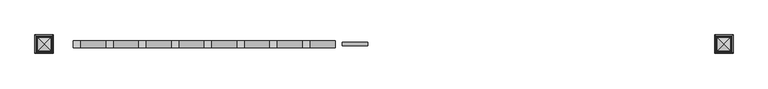
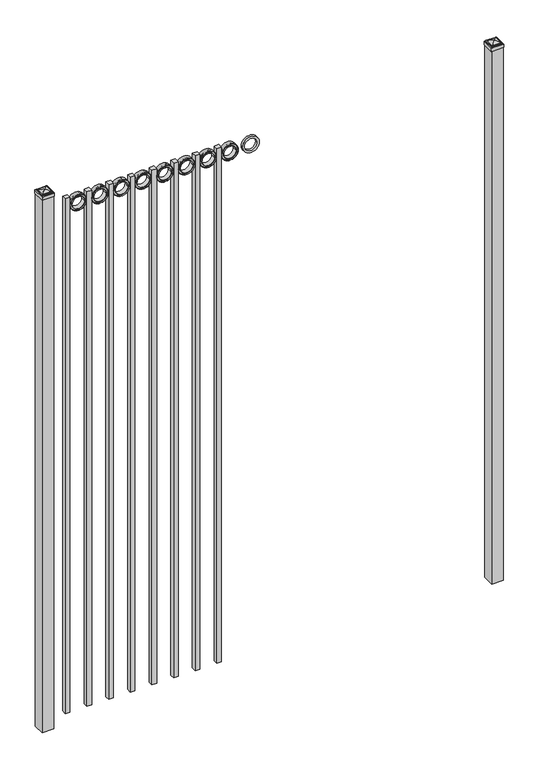
"""IFC4 building model written with IfcOpenShell, lengths in millimetres: railing geometry."""

from ifc_helpers import new_model, si_unit, point, frame, frame_2d, origin, origin_with_axes, place, context, project, spatial, polyline, circle_curve, ellipse_curve, trimmed, segment, composite_curve, outline, extrude, source, transform, mapped, element, save
from ifc_brep_helpers import plane_surface, cylinder_surface, advanced_brep


def railing_900c3616(model_context):
    return source(origin(), model_context, "Body", "SolidModel", [
        extrude(outline(composite_curve([segment(trimmed(circle_curve(frame_2d((2957.8511409, -5077.3911274)), 45.6988591), [point((2957.8511409, -5031.6922684))], [point((2957.8511409, -5123.0899865))], False, "CARTESIAN"), True, "CONTINUOUS"), segment(trimmed(circle_curve(frame_2d((2957.8511409, -5077.3911274)), 45.6988591), [point((2957.8511409, -5123.0899865))], [point((2957.8511409, -5031.6922684))], False, "CARTESIAN"), True, "CONTINUOUS")], self_intersect=False), holes=[composite_curve([segment(trimmed(circle_curve(frame_2d((2957.8511409, -5077.3911274)), 33.0443887), [point((2957.8511409, -5044.3467388))], [point((2957.8511409, -5110.4355161))], True, "CARTESIAN"), True, "CONTINUOUS"), segment(trimmed(circle_curve(frame_2d((2957.8511409, -5077.3911274)), 33.0443887), [point((2957.8511409, -5110.4355161))], [point((2957.8511409, -5044.3467388))], True, "CARTESIAN"), True, "CONTINUOUS")], self_intersect=False)]), frame((0.0, 4266.569541, 0.0), z_axis=(0.0, 1.0, 0.0), x_axis=(0.0, 0.0, 1.0)), (0.0, 0.0, 1.0), 12.7),
        extrude(outline(polyline([(0.0, -2952.75), (0.0, 0.0), (25.4, 0.0), (25.4, -2952.75), (0.0, -2952.75)])), frame((-5240.5649864, 4285.619541, 3003.55), z_axis=(-1.0, 0.0, 1.4053472285532807e-09), x_axis=(0.0, -1.0, 0.0)), (0.0, 0.0, 1.0), 25.4),
        extrude(outline(composite_curve([segment(trimmed(circle_curve(frame_2d((2957.8511409, -5194.8661274)), 45.6988591), [point((2957.8511409, -5149.1672684))], [point((2957.8511409, -5240.5649865))], False, "CARTESIAN"), True, "CONTINUOUS"), segment(trimmed(circle_curve(frame_2d((2957.8511409, -5194.8661274)), 45.6988591), [point((2957.8511409, -5240.5649865))], [point((2957.8511409, -5149.1672684))], False, "CARTESIAN"), True, "CONTINUOUS")], self_intersect=False), holes=[composite_curve([segment(trimmed(circle_curve(frame_2d((2957.8511409, -5194.8661274)), 44.101539), [point((2957.8511409, -5150.7645884))], [point((2957.8511409, -5238.9676665))], True, "CARTESIAN"), True, "CONTINUOUS"), segment(trimmed(circle_curve(frame_2d((2957.8511409, -5194.8661274)), 44.101539), [point((2957.8511409, -5238.9676665))], [point((2957.8511409, -5150.7645884))], True, "CARTESIAN"), True, "CONTINUOUS")], self_intersect=False)]), frame((0.0, 4260.219541, 0.0), z_axis=(0.0, 1.0, 0.0), x_axis=(0.0, 0.0, 1.0)), (0.0, 0.0, 1.0), 25.4),
        extrude(outline(composite_curve([segment(trimmed(circle_curve(frame_2d((2957.8511409, -5194.8661274)), 34.6370762), [point((2957.8511409, -5160.2290512))], [point((2957.8511409, -5229.5032037))], False, "CARTESIAN"), True, "CONTINUOUS"), segment(trimmed(circle_curve(frame_2d((2957.8511409, -5194.8661274)), 34.6370762), [point((2957.8511409, -5229.5032037))], [point((2957.8511409, -5160.2290512))], False, "CARTESIAN"), True, "CONTINUOUS")], self_intersect=False), holes=[composite_curve([segment(trimmed(circle_curve(frame_2d((2957.8511409, -5194.8661274)), 33.0443887), [point((2957.8511409, -5161.8217388))], [point((2957.8511409, -5227.9105161))], True, "CARTESIAN"), True, "CONTINUOUS"), segment(trimmed(circle_curve(frame_2d((2957.8511409, -5194.8661274)), 33.0443887), [point((2957.8511409, -5227.9105161))], [point((2957.8511409, -5161.8217388))], True, "CARTESIAN"), True, "CONTINUOUS")], self_intersect=False)]), frame((0.0, 4260.219541, 0.0), z_axis=(0.0, 1.0, 0.0), x_axis=(0.0, 0.0, 1.0)), (0.0, 0.0, 1.0), 25.4),
        extrude(outline(composite_curve([segment(trimmed(circle_curve(frame_2d((2957.8511409, -5194.8661274)), 45.6988591), [point((2957.8511409, -5149.1672684))], [point((2957.8511409, -5240.5649865))], False, "CARTESIAN"), True, "CONTINUOUS"), segment(trimmed(circle_curve(frame_2d((2957.8511409, -5194.8661274)), 45.6988591), [point((2957.8511409, -5240.5649865))], [point((2957.8511409, -5149.1672684))], False, "CARTESIAN"), True, "CONTINUOUS")], self_intersect=False), holes=[composite_curve([segment(trimmed(circle_curve(frame_2d((2957.8511409, -5194.8661274)), 33.0443887), [point((2957.8511409, -5161.8217388))], [point((2957.8511409, -5227.9105161))], True, "CARTESIAN"), True, "CONTINUOUS"), segment(trimmed(circle_curve(frame_2d((2957.8511409, -5194.8661274)), 33.0443887), [point((2957.8511409, -5227.9105161))], [point((2957.8511409, -5161.8217388))], True, "CARTESIAN"), True, "CONTINUOUS")], self_intersect=False)]), frame((0.0, 4266.569541, 0.0), z_axis=(0.0, 1.0, 0.0), x_axis=(0.0, 0.0, 1.0)), (0.0, 0.0, 1.0), 12.7),
        extrude(outline(polyline([(0.0, -2952.75), (0.0, 0.0), (25.4, 0.0), (25.4, -2952.75), (0.0, -2952.75)])), frame((-5358.0399864, 4285.619541, 3003.55), z_axis=(-1.0, 0.0, 1.4053472285532807e-09), x_axis=(0.0, -1.0, 0.0)), (0.0, 0.0, 1.0), 25.4),
        extrude(outline(composite_curve([segment(trimmed(circle_curve(frame_2d((2957.8511409, -5312.3411274)), 45.6988591), [point((2957.8511409, -5266.6422684))], [point((2957.8511409, -5358.0399865))], False, "CARTESIAN"), True, "CONTINUOUS"), segment(trimmed(circle_curve(frame_2d((2957.8511409, -5312.3411274)), 45.6988591), [point((2957.8511409, -5358.0399865))], [point((2957.8511409, -5266.6422684))], False, "CARTESIAN"), True, "CONTINUOUS")], self_intersect=False), holes=[composite_curve([segment(trimmed(circle_curve(frame_2d((2957.8511409, -5312.3411274)), 44.101539), [point((2957.8511409, -5268.2395884))], [point((2957.8511409, -5356.4426665))], True, "CARTESIAN"), True, "CONTINUOUS"), segment(trimmed(circle_curve(frame_2d((2957.8511409, -5312.3411274)), 44.101539), [point((2957.8511409, -5356.4426665))], [point((2957.8511409, -5268.2395884))], True, "CARTESIAN"), True, "CONTINUOUS")], self_intersect=False)]), frame((0.0, 4260.219541, 0.0), z_axis=(0.0, 1.0, 0.0), x_axis=(0.0, 0.0, 1.0)), (0.0, 0.0, 1.0), 25.4),
        extrude(outline(composite_curve([segment(trimmed(circle_curve(frame_2d((2957.8511409, -5312.3411274)), 34.6370762), [point((2957.8511409, -5277.7040512))], [point((2957.8511409, -5346.9782037))], False, "CARTESIAN"), True, "CONTINUOUS"), segment(trimmed(circle_curve(frame_2d((2957.8511409, -5312.3411274)), 34.6370762), [point((2957.8511409, -5346.9782037))], [point((2957.8511409, -5277.7040512))], False, "CARTESIAN"), True, "CONTINUOUS")], self_intersect=False), holes=[composite_curve([segment(trimmed(circle_curve(frame_2d((2957.8511409, -5312.3411274)), 33.0443887), [point((2957.8511409, -5279.2967388))], [point((2957.8511409, -5345.3855161))], True, "CARTESIAN"), True, "CONTINUOUS"), segment(trimmed(circle_curve(frame_2d((2957.8511409, -5312.3411274)), 33.0443887), [point((2957.8511409, -5345.3855161))], [point((2957.8511409, -5279.2967388))], True, "CARTESIAN"), True, "CONTINUOUS")], self_intersect=False)]), frame((0.0, 4260.219541, 0.0), z_axis=(0.0, 1.0, 0.0), x_axis=(0.0, 0.0, 1.0)), (0.0, 0.0, 1.0), 25.4),
        extrude(outline(composite_curve([segment(trimmed(circle_curve(frame_2d((2957.8511409, -5312.3411274)), 45.6988591), [point((2957.8511409, -5266.6422684))], [point((2957.8511409, -5358.0399865))], False, "CARTESIAN"), True, "CONTINUOUS"), segment(trimmed(circle_curve(frame_2d((2957.8511409, -5312.3411274)), 45.6988591), [point((2957.8511409, -5358.0399865))], [point((2957.8511409, -5266.6422684))], False, "CARTESIAN"), True, "CONTINUOUS")], self_intersect=False), holes=[composite_curve([segment(trimmed(circle_curve(frame_2d((2957.8511409, -5312.3411274)), 33.0443887), [point((2957.8511409, -5279.2967388))], [point((2957.8511409, -5345.3855161))], True, "CARTESIAN"), True, "CONTINUOUS"), segment(trimmed(circle_curve(frame_2d((2957.8511409, -5312.3411274)), 33.0443887), [point((2957.8511409, -5345.3855161))], [point((2957.8511409, -5279.2967388))], True, "CARTESIAN"), True, "CONTINUOUS")], self_intersect=False)]), frame((0.0, 4266.569541, 0.0), z_axis=(0.0, 1.0, 0.0), x_axis=(0.0, 0.0, 1.0)), (0.0, 0.0, 1.0), 12.7),
        extrude(outline(polyline([(0.0, -2952.75), (0.0, 0.0), (25.4, 0.0), (25.4, -2952.75), (0.0, -2952.75)])), frame((-5475.5149864, 4285.619541, 3003.55), z_axis=(-1.0, 0.0, 1.4053472285532807e-09), x_axis=(0.0, -1.0, 0.0)), (0.0, 0.0, 1.0), 25.4),
        extrude(outline(composite_curve([segment(trimmed(circle_curve(frame_2d((2957.8511409, -5429.8161274)), 45.6988591), [point((2957.8511409, -5384.1172684))], [point((2957.8511409, -5475.5149865))], False, "CARTESIAN"), True, "CONTINUOUS"), segment(trimmed(circle_curve(frame_2d((2957.8511409, -5429.8161274)), 45.6988591), [point((2957.8511409, -5475.5149865))], [point((2957.8511409, -5384.1172684))], False, "CARTESIAN"), True, "CONTINUOUS")], self_intersect=False), holes=[composite_curve([segment(trimmed(circle_curve(frame_2d((2957.8511409, -5429.8161274)), 44.101539), [point((2957.8511409, -5385.7145884))], [point((2957.8511409, -5473.9176665))], True, "CARTESIAN"), True, "CONTINUOUS"), segment(trimmed(circle_curve(frame_2d((2957.8511409, -5429.8161274)), 44.101539), [point((2957.8511409, -5473.9176665))], [point((2957.8511409, -5385.7145884))], True, "CARTESIAN"), True, "CONTINUOUS")], self_intersect=False)]), frame((0.0, 4260.219541, 0.0), z_axis=(0.0, 1.0, 0.0), x_axis=(0.0, 0.0, 1.0)), (0.0, 0.0, 1.0), 25.4),
        extrude(outline(composite_curve([segment(trimmed(circle_curve(frame_2d((2957.8511409, -5429.8161274)), 34.6370762), [point((2957.8511409, -5395.1790512))], [point((2957.8511409, -5464.4532037))], False, "CARTESIAN"), True, "CONTINUOUS"), segment(trimmed(circle_curve(frame_2d((2957.8511409, -5429.8161274)), 34.6370762), [point((2957.8511409, -5464.4532037))], [point((2957.8511409, -5395.1790512))], False, "CARTESIAN"), True, "CONTINUOUS")], self_intersect=False), holes=[composite_curve([segment(trimmed(circle_curve(frame_2d((2957.8511409, -5429.8161274)), 33.0443887), [point((2957.8511409, -5396.7717388))], [point((2957.8511409, -5462.8605161))], True, "CARTESIAN"), True, "CONTINUOUS"), segment(trimmed(circle_curve(frame_2d((2957.8511409, -5429.8161274)), 33.0443887), [point((2957.8511409, -5462.8605161))], [point((2957.8511409, -5396.7717388))], True, "CARTESIAN"), True, "CONTINUOUS")], self_intersect=False)]), frame((0.0, 4260.219541, 0.0), z_axis=(0.0, 1.0, 0.0), x_axis=(0.0, 0.0, 1.0)), (0.0, 0.0, 1.0), 25.4),
        extrude(outline(composite_curve([segment(trimmed(circle_curve(frame_2d((2957.8511409, -5429.8161274)), 45.6988591), [point((2957.8511409, -5384.1172684))], [point((2957.8511409, -5475.5149865))], False, "CARTESIAN"), True, "CONTINUOUS"), segment(trimmed(circle_curve(frame_2d((2957.8511409, -5429.8161274)), 45.6988591), [point((2957.8511409, -5475.5149865))], [point((2957.8511409, -5384.1172684))], False, "CARTESIAN"), True, "CONTINUOUS")], self_intersect=False), holes=[composite_curve([segment(trimmed(circle_curve(frame_2d((2957.8511409, -5429.8161274)), 33.0443887), [point((2957.8511409, -5396.7717388))], [point((2957.8511409, -5462.8605161))], True, "CARTESIAN"), True, "CONTINUOUS"), segment(trimmed(circle_curve(frame_2d((2957.8511409, -5429.8161274)), 33.0443887), [point((2957.8511409, -5462.8605161))], [point((2957.8511409, -5396.7717388))], True, "CARTESIAN"), True, "CONTINUOUS")], self_intersect=False)]), frame((0.0, 4266.569541, 0.0), z_axis=(0.0, 1.0, 0.0), x_axis=(0.0, 0.0, 1.0)), (0.0, 0.0, 1.0), 12.7),
        extrude(outline(polyline([(0.0, -2952.75), (0.0, 0.0), (25.4, 0.0), (25.4, -2952.75), (0.0, -2952.75)])), frame((-5592.9899864, 4285.619541, 3003.55), z_axis=(-1.0, 0.0, 1.4053472285532807e-09), x_axis=(0.0, -1.0, 0.0)), (0.0, 0.0, 1.0), 25.4),
        extrude(outline(composite_curve([segment(trimmed(circle_curve(frame_2d((2957.8511409, -5547.2911274)), 45.6988591), [point((2957.8511409, -5501.5922684))], [point((2957.8511409, -5592.9899865))], False, "CARTESIAN"), True, "CONTINUOUS"), segment(trimmed(circle_curve(frame_2d((2957.8511409, -5547.2911274)), 45.6988591), [point((2957.8511409, -5592.9899865))], [point((2957.8511409, -5501.5922684))], False, "CARTESIAN"), True, "CONTINUOUS")], self_intersect=False), holes=[composite_curve([segment(trimmed(circle_curve(frame_2d((2957.8511409, -5547.2911274)), 44.101539), [point((2957.8511409, -5503.1895884))], [point((2957.8511409, -5591.3926665))], True, "CARTESIAN"), True, "CONTINUOUS"), segment(trimmed(circle_curve(frame_2d((2957.8511409, -5547.2911274)), 44.101539), [point((2957.8511409, -5591.3926665))], [point((2957.8511409, -5503.1895884))], True, "CARTESIAN"), True, "CONTINUOUS")], self_intersect=False)]), frame((0.0, 4260.219541, 0.0), z_axis=(0.0, 1.0, 0.0), x_axis=(0.0, 0.0, 1.0)), (0.0, 0.0, 1.0), 25.4),
        extrude(outline(composite_curve([segment(trimmed(circle_curve(frame_2d((2957.8511409, -5547.2911274)), 34.6370762), [point((2957.8511409, -5512.6540512))], [point((2957.8511409, -5581.9282037))], False, "CARTESIAN"), True, "CONTINUOUS"), segment(trimmed(circle_curve(frame_2d((2957.8511409, -5547.2911274)), 34.6370762), [point((2957.8511409, -5581.9282037))], [point((2957.8511409, -5512.6540512))], False, "CARTESIAN"), True, "CONTINUOUS")], self_intersect=False), holes=[composite_curve([segment(trimmed(circle_curve(frame_2d((2957.8511409, -5547.2911274)), 33.0443887), [point((2957.8511409, -5514.2467388))], [point((2957.8511409, -5580.3355161))], True, "CARTESIAN"), True, "CONTINUOUS"), segment(trimmed(circle_curve(frame_2d((2957.8511409, -5547.2911274)), 33.0443887), [point((2957.8511409, -5580.3355161))], [point((2957.8511409, -5514.2467388))], True, "CARTESIAN"), True, "CONTINUOUS")], self_intersect=False)]), frame((0.0, 4260.219541, 0.0), z_axis=(0.0, 1.0, 0.0), x_axis=(0.0, 0.0, 1.0)), (0.0, 0.0, 1.0), 25.4),
        extrude(outline(composite_curve([segment(trimmed(circle_curve(frame_2d((2957.8511409, -5547.2911274)), 45.6988591), [point((2957.8511409, -5501.5922684))], [point((2957.8511409, -5592.9899865))], False, "CARTESIAN"), True, "CONTINUOUS"), segment(trimmed(circle_curve(frame_2d((2957.8511409, -5547.2911274)), 45.6988591), [point((2957.8511409, -5592.9899865))], [point((2957.8511409, -5501.5922684))], False, "CARTESIAN"), True, "CONTINUOUS")], self_intersect=False), holes=[composite_curve([segment(trimmed(circle_curve(frame_2d((2957.8511409, -5547.2911274)), 33.0443887), [point((2957.8511409, -5514.2467388))], [point((2957.8511409, -5580.3355161))], True, "CARTESIAN"), True, "CONTINUOUS"), segment(trimmed(circle_curve(frame_2d((2957.8511409, -5547.2911274)), 33.0443887), [point((2957.8511409, -5580.3355161))], [point((2957.8511409, -5514.2467388))], True, "CARTESIAN"), True, "CONTINUOUS")], self_intersect=False)]), frame((0.0, 4266.569541, 0.0), z_axis=(0.0, 1.0, 0.0), x_axis=(0.0, 0.0, 1.0)), (0.0, 0.0, 1.0), 12.7),
        extrude(outline(polyline([(0.0, -2952.75), (0.0, 0.0), (25.4, 0.0), (25.4, -2952.75), (0.0, -2952.75)])), frame((-5710.4649864, 4285.619541, 3003.55), z_axis=(-1.0, 0.0, 1.4053472285532807e-09), x_axis=(0.0, -1.0, 0.0)), (0.0, 0.0, 1.0), 25.4),
        extrude(outline(composite_curve([segment(trimmed(circle_curve(frame_2d((2957.8511409, -5664.7661274)), 45.6988591), [point((2957.8511409, -5619.0672684))], [point((2957.8511409, -5710.4649865))], False, "CARTESIAN"), True, "CONTINUOUS"), segment(trimmed(circle_curve(frame_2d((2957.8511409, -5664.7661274)), 45.6988591), [point((2957.8511409, -5710.4649865))], [point((2957.8511409, -5619.0672684))], False, "CARTESIAN"), True, "CONTINUOUS")], self_intersect=False), holes=[composite_curve([segment(trimmed(circle_curve(frame_2d((2957.8511409, -5664.7661274)), 44.101539), [point((2957.8511409, -5620.6645884))], [point((2957.8511409, -5708.8676665))], True, "CARTESIAN"), True, "CONTINUOUS"), segment(trimmed(circle_curve(frame_2d((2957.8511409, -5664.7661274)), 44.101539), [point((2957.8511409, -5708.8676665))], [point((2957.8511409, -5620.6645884))], True, "CARTESIAN"), True, "CONTINUOUS")], self_intersect=False)]), frame((0.0, 4260.219541, 0.0), z_axis=(0.0, 1.0, 0.0), x_axis=(0.0, 0.0, 1.0)), (0.0, 0.0, 1.0), 25.4),
        extrude(outline(composite_curve([segment(trimmed(circle_curve(frame_2d((2957.8511409, -5664.7661274)), 34.6370762), [point((2957.8511409, -5630.1290512))], [point((2957.8511409, -5699.4032037))], False, "CARTESIAN"), True, "CONTINUOUS"), segment(trimmed(circle_curve(frame_2d((2957.8511409, -5664.7661274)), 34.6370762), [point((2957.8511409, -5699.4032037))], [point((2957.8511409, -5630.1290512))], False, "CARTESIAN"), True, "CONTINUOUS")], self_intersect=False), holes=[composite_curve([segment(trimmed(circle_curve(frame_2d((2957.8511409, -5664.7661274)), 33.0443887), [point((2957.8511409, -5631.7217388))], [point((2957.8511409, -5697.8105161))], True, "CARTESIAN"), True, "CONTINUOUS"), segment(trimmed(circle_curve(frame_2d((2957.8511409, -5664.7661274)), 33.0443887), [point((2957.8511409, -5697.8105161))], [point((2957.8511409, -5631.7217388))], True, "CARTESIAN"), True, "CONTINUOUS")], self_intersect=False)]), frame((0.0, 4260.219541, 0.0), z_axis=(0.0, 1.0, 0.0), x_axis=(0.0, 0.0, 1.0)), (0.0, 0.0, 1.0), 25.4),
        extrude(outline(composite_curve([segment(trimmed(circle_curve(frame_2d((2957.8511409, -5664.7661274)), 45.6988591), [point((2957.8511409, -5619.0672684))], [point((2957.8511409, -5710.4649865))], False, "CARTESIAN"), True, "CONTINUOUS"), segment(trimmed(circle_curve(frame_2d((2957.8511409, -5664.7661274)), 45.6988591), [point((2957.8511409, -5710.4649865))], [point((2957.8511409, -5619.0672684))], False, "CARTESIAN"), True, "CONTINUOUS")], self_intersect=False), holes=[composite_curve([segment(trimmed(circle_curve(frame_2d((2957.8511409, -5664.7661274)), 33.0443887), [point((2957.8511409, -5631.7217388))], [point((2957.8511409, -5697.8105161))], True, "CARTESIAN"), True, "CONTINUOUS"), segment(trimmed(circle_curve(frame_2d((2957.8511409, -5664.7661274)), 33.0443887), [point((2957.8511409, -5697.8105161))], [point((2957.8511409, -5631.7217388))], True, "CARTESIAN"), True, "CONTINUOUS")], self_intersect=False)]), frame((0.0, 4266.569541, 0.0), z_axis=(0.0, 1.0, 0.0), x_axis=(0.0, 0.0, 1.0)), (0.0, 0.0, 1.0), 12.7),
        extrude(outline(polyline([(0.0, -2952.75), (0.0, 0.0), (25.4, 0.0), (25.4, -2952.75), (0.0, -2952.75)])), frame((-5827.9399864, 4285.619541, 3003.55), z_axis=(-1.0, 0.0, 1.4053472285532807e-09), x_axis=(0.0, -1.0, 0.0)), (0.0, 0.0, 1.0), 25.4),
        extrude(outline(composite_curve([segment(trimmed(circle_curve(frame_2d((2957.8511409, -5782.2411274)), 45.6988591), [point((2957.8511409, -5736.5422684))], [point((2957.8511409, -5827.9399865))], False, "CARTESIAN"), True, "CONTINUOUS"), segment(trimmed(circle_curve(frame_2d((2957.8511409, -5782.2411274)), 45.6988591), [point((2957.8511409, -5827.9399865))], [point((2957.8511409, -5736.5422684))], False, "CARTESIAN"), True, "CONTINUOUS")], self_intersect=False), holes=[composite_curve([segment(trimmed(circle_curve(frame_2d((2957.8511409, -5782.2411274)), 44.101539), [point((2957.8511409, -5738.1395884))], [point((2957.8511409, -5826.3426665))], True, "CARTESIAN"), True, "CONTINUOUS"), segment(trimmed(circle_curve(frame_2d((2957.8511409, -5782.2411274)), 44.101539), [point((2957.8511409, -5826.3426665))], [point((2957.8511409, -5738.1395884))], True, "CARTESIAN"), True, "CONTINUOUS")], self_intersect=False)]), frame((0.0, 4260.219541, 0.0), z_axis=(0.0, 1.0, 0.0), x_axis=(0.0, 0.0, 1.0)), (0.0, 0.0, 1.0), 25.4),
        extrude(outline(composite_curve([segment(trimmed(circle_curve(frame_2d((2957.8511409, -5782.2411274)), 34.6370762), [point((2957.8511409, -5747.6040512))], [point((2957.8511409, -5816.8782037))], False, "CARTESIAN"), True, "CONTINUOUS"), segment(trimmed(circle_curve(frame_2d((2957.8511409, -5782.2411274)), 34.6370762), [point((2957.8511409, -5816.8782037))], [point((2957.8511409, -5747.6040512))], False, "CARTESIAN"), True, "CONTINUOUS")], self_intersect=False), holes=[composite_curve([segment(trimmed(circle_curve(frame_2d((2957.8511409, -5782.2411274)), 33.0443887), [point((2957.8511409, -5749.1967388))], [point((2957.8511409, -5815.2855161))], True, "CARTESIAN"), True, "CONTINUOUS"), segment(trimmed(circle_curve(frame_2d((2957.8511409, -5782.2411274)), 33.0443887), [point((2957.8511409, -5815.2855161))], [point((2957.8511409, -5749.1967388))], True, "CARTESIAN"), True, "CONTINUOUS")], self_intersect=False)]), frame((0.0, 4260.219541, 0.0), z_axis=(0.0, 1.0, 0.0), x_axis=(0.0, 0.0, 1.0)), (0.0, 0.0, 1.0), 25.4),
        extrude(outline(composite_curve([segment(trimmed(circle_curve(frame_2d((2957.8511409, -5782.2411274)), 45.6988591), [point((2957.8511409, -5736.5422684))], [point((2957.8511409, -5827.9399865))], False, "CARTESIAN"), True, "CONTINUOUS"), segment(trimmed(circle_curve(frame_2d((2957.8511409, -5782.2411274)), 45.6988591), [point((2957.8511409, -5827.9399865))], [point((2957.8511409, -5736.5422684))], False, "CARTESIAN"), True, "CONTINUOUS")], self_intersect=False), holes=[composite_curve([segment(trimmed(circle_curve(frame_2d((2957.8511409, -5782.2411274)), 33.0443887), [point((2957.8511409, -5749.1967388))], [point((2957.8511409, -5815.2855161))], True, "CARTESIAN"), True, "CONTINUOUS"), segment(trimmed(circle_curve(frame_2d((2957.8511409, -5782.2411274)), 33.0443887), [point((2957.8511409, -5815.2855161))], [point((2957.8511409, -5749.1967388))], True, "CARTESIAN"), True, "CONTINUOUS")], self_intersect=False)]), frame((0.0, 4266.569541, 0.0), z_axis=(0.0, 1.0, 0.0), x_axis=(0.0, 0.0, 1.0)), (0.0, 0.0, 1.0), 12.7),
        extrude(outline(polyline([(0.0, -2952.75), (0.0, 0.0), (25.4, 0.0), (25.4, -2952.75), (0.0, -2952.75)])), frame((-5945.4149864, 4285.619541, 3003.55), z_axis=(-1.0, 0.0, 1.4053472285532807e-09), x_axis=(0.0, -1.0, 0.0)), (0.0, 0.0, 1.0), 25.4),
        extrude(outline(composite_curve([segment(trimmed(circle_curve(frame_2d((2957.8511409, -5899.7161274)), 45.6988591), [point((2957.8511409, -5854.0172684))], [point((2957.8511409, -5945.4149865))], False, "CARTESIAN"), True, "CONTINUOUS"), segment(trimmed(circle_curve(frame_2d((2957.8511409, -5899.7161274)), 45.6988591), [point((2957.8511409, -5945.4149865))], [point((2957.8511409, -5854.0172684))], False, "CARTESIAN"), True, "CONTINUOUS")], self_intersect=False), holes=[composite_curve([segment(trimmed(circle_curve(frame_2d((2957.8511409, -5899.7161274)), 44.101539), [point((2957.8511409, -5855.6145884))], [point((2957.8511409, -5943.8176665))], True, "CARTESIAN"), True, "CONTINUOUS"), segment(trimmed(circle_curve(frame_2d((2957.8511409, -5899.7161274)), 44.101539), [point((2957.8511409, -5943.8176665))], [point((2957.8511409, -5855.6145884))], True, "CARTESIAN"), True, "CONTINUOUS")], self_intersect=False)]), frame((0.0, 4260.219541, 0.0), z_axis=(0.0, 1.0, 0.0), x_axis=(0.0, 0.0, 1.0)), (0.0, 0.0, 1.0), 25.4),
        extrude(outline(composite_curve([segment(trimmed(circle_curve(frame_2d((2957.8511409, -5899.7161274)), 34.6370762), [point((2957.8511409, -5865.0790512))], [point((2957.8511409, -5934.3532037))], False, "CARTESIAN"), True, "CONTINUOUS"), segment(trimmed(circle_curve(frame_2d((2957.8511409, -5899.7161274)), 34.6370762), [point((2957.8511409, -5934.3532037))], [point((2957.8511409, -5865.0790512))], False, "CARTESIAN"), True, "CONTINUOUS")], self_intersect=False), holes=[composite_curve([segment(trimmed(circle_curve(frame_2d((2957.8511409, -5899.7161274)), 33.0443887), [point((2957.8511409, -5866.6717388))], [point((2957.8511409, -5932.7605161))], True, "CARTESIAN"), True, "CONTINUOUS"), segment(trimmed(circle_curve(frame_2d((2957.8511409, -5899.7161274)), 33.0443887), [point((2957.8511409, -5932.7605161))], [point((2957.8511409, -5866.6717388))], True, "CARTESIAN"), True, "CONTINUOUS")], self_intersect=False)]), frame((0.0, 4260.219541, 0.0), z_axis=(0.0, 1.0, 0.0), x_axis=(0.0, 0.0, 1.0)), (0.0, 0.0, 1.0), 25.4),
        extrude(outline(composite_curve([segment(trimmed(circle_curve(frame_2d((2957.8511409, -5899.7161274)), 45.6988591), [point((2957.8511409, -5854.0172684))], [point((2957.8511409, -5945.4149865))], False, "CARTESIAN"), True, "CONTINUOUS"), segment(trimmed(circle_curve(frame_2d((2957.8511409, -5899.7161274)), 45.6988591), [point((2957.8511409, -5945.4149865))], [point((2957.8511409, -5854.0172684))], False, "CARTESIAN"), True, "CONTINUOUS")], self_intersect=False), holes=[composite_curve([segment(trimmed(circle_curve(frame_2d((2957.8511409, -5899.7161274)), 33.0443887), [point((2957.8511409, -5866.6717388))], [point((2957.8511409, -5932.7605161))], True, "CARTESIAN"), True, "CONTINUOUS"), segment(trimmed(circle_curve(frame_2d((2957.8511409, -5899.7161274)), 33.0443887), [point((2957.8511409, -5932.7605161))], [point((2957.8511409, -5866.6717388))], True, "CARTESIAN"), True, "CONTINUOUS")], self_intersect=False)]), frame((0.0, 4266.569541, 0.0), z_axis=(0.0, 1.0, 0.0), x_axis=(0.0, 0.0, 1.0)), (0.0, 0.0, 1.0), 12.7),
        extrude(outline(polyline([(0.0, -2952.75), (0.0, 0.0), (25.4, 0.0), (25.4, -2952.75), (0.0, -2952.75)])), frame((-6062.8899864, 4285.619541, 3003.55), z_axis=(-1.0, 0.0, 1.4053472285532807e-09), x_axis=(0.0, -1.0, 0.0)), (0.0, 0.0, 1.0), 25.4),
        extrude(outline(composite_curve([segment(trimmed(circle_curve(frame_2d((2957.8511409, -6017.1911274)), 45.6988591), [point((2957.8511409, -5971.4922684))], [point((2957.8511409, -6062.8899865))], False, "CARTESIAN"), True, "CONTINUOUS"), segment(trimmed(circle_curve(frame_2d((2957.8511409, -6017.1911274)), 45.6988591), [point((2957.8511409, -6062.8899865))], [point((2957.8511409, -5971.4922684))], False, "CARTESIAN"), True, "CONTINUOUS")], self_intersect=False), holes=[composite_curve([segment(trimmed(circle_curve(frame_2d((2957.8511409, -6017.1911274)), 44.101539), [point((2957.8511409, -5973.0895884))], [point((2957.8511409, -6061.2926665))], True, "CARTESIAN"), True, "CONTINUOUS"), segment(trimmed(circle_curve(frame_2d((2957.8511409, -6017.1911274)), 44.101539), [point((2957.8511409, -6061.2926665))], [point((2957.8511409, -5973.0895884))], True, "CARTESIAN"), True, "CONTINUOUS")], self_intersect=False)]), frame((0.0, 4260.219541, 0.0), z_axis=(0.0, 1.0, 0.0), x_axis=(0.0, 0.0, 1.0)), (0.0, 0.0, 1.0), 25.4),
        extrude(outline(composite_curve([segment(trimmed(circle_curve(frame_2d((2957.8511409, -6017.1911274)), 34.6370762), [point((2957.8511409, -5982.5540512))], [point((2957.8511409, -6051.8282037))], False, "CARTESIAN"), True, "CONTINUOUS"), segment(trimmed(circle_curve(frame_2d((2957.8511409, -6017.1911274)), 34.6370762), [point((2957.8511409, -6051.8282037))], [point((2957.8511409, -5982.5540512))], False, "CARTESIAN"), True, "CONTINUOUS")], self_intersect=False), holes=[composite_curve([segment(trimmed(circle_curve(frame_2d((2957.8511409, -6017.1911274)), 33.0443887), [point((2957.8511409, -5984.1467388))], [point((2957.8511409, -6050.2355161))], True, "CARTESIAN"), True, "CONTINUOUS"), segment(trimmed(circle_curve(frame_2d((2957.8511409, -6017.1911274)), 33.0443887), [point((2957.8511409, -6050.2355161))], [point((2957.8511409, -5984.1467388))], True, "CARTESIAN"), True, "CONTINUOUS")], self_intersect=False)]), frame((0.0, 4260.219541, 0.0), z_axis=(0.0, 1.0, 0.0), x_axis=(0.0, 0.0, 1.0)), (0.0, 0.0, 1.0), 25.4),
        extrude(outline(composite_curve([segment(trimmed(circle_curve(frame_2d((2957.8511409, -6017.1911274)), 45.6988591), [point((2957.8511409, -5971.4922684))], [point((2957.8511409, -6062.8899865))], False, "CARTESIAN"), True, "CONTINUOUS"), segment(trimmed(circle_curve(frame_2d((2957.8511409, -6017.1911274)), 45.6988591), [point((2957.8511409, -6062.8899865))], [point((2957.8511409, -5971.4922684))], False, "CARTESIAN"), True, "CONTINUOUS")], self_intersect=False), holes=[composite_curve([segment(trimmed(circle_curve(frame_2d((2957.8511409, -6017.1911274)), 33.0443887), [point((2957.8511409, -5984.1467388))], [point((2957.8511409, -6050.2355161))], True, "CARTESIAN"), True, "CONTINUOUS"), segment(trimmed(circle_curve(frame_2d((2957.8511409, -6017.1911274)), 33.0443887), [point((2957.8511409, -6050.2355161))], [point((2957.8511409, -5984.1467388))], True, "CARTESIAN"), True, "CONTINUOUS")], self_intersect=False)]), frame((0.0, 4266.569541, 0.0), z_axis=(0.0, 1.0, 0.0), x_axis=(0.0, 0.0, 1.0)), (0.0, 0.0, 1.0), 12.7),
        extrude(outline(polyline([(-3722.9149936, 4304.669541), (-3722.9149936, 4241.169541), (-3786.4149936, 4241.169541), (-3786.4149936, 4304.669541), (-3722.9149936, 4304.669541)])), origin_with_axes(), (0.0, 0.0, 1.0), 3055.9375),
        advanced_brep(
        [(-3788.0024936, 4306.257041, 3074.19375), (-3788.0024936, 4306.257041, 3055.9375), (-3788.0024936, 4239.582041, 3055.9375), (-3788.0024936, 4239.582041, 3074.19375), (-3785.6212436, 4303.875791, 3076.575), (-3785.6212436, 4241.963291, 3076.575), (-3783.2399936, 4301.494541, 3078.95625), (-3783.2399936, 4301.494541, 3076.575), (-3783.2399936, 4244.344541, 3076.575), (-3783.2399936, 4244.344541, 3078.95625), (-3780.8587436, 4299.113291, 3081.3375), (-3780.8587436, 4246.725791, 3081.3375), (-3754.6649936, 4272.919541, 3087.6875), (-3778.4774936, 4296.732041, 3081.3375), (-3778.4774936, 4249.107041, 3081.3375), (-3721.3274936, 4239.582041, 3055.9375), (-3721.3274936, 4239.582041, 3074.19375), (-3723.7087436, 4241.963291, 3076.575), (-3726.0899936, 4244.344541, 3076.575), (-3726.0899936, 4244.344541, 3078.95625), (-3728.4712436, 4246.725791, 3081.3375), (-3730.8524936, 4249.107041, 3081.3375), (-3721.3274936, 4306.257041, 3055.9375), (-3721.3274936, 4306.257041, 3074.19375), (-3723.7087436, 4303.875791, 3076.575), (-3726.0899936, 4301.494541, 3076.575), (-3726.0899936, 4301.494541, 3078.95625), (-3728.4712436, 4299.113291, 3081.3375), (-3730.8524936, 4296.732041, 3081.3375)],
        [
            (0, 1),
            (1, 2),
            (2, 3),
            (3, 0),
            (4, 0, ellipse_curve(frame((-3785.6212436, 4303.875791, 3074.19375), z_axis=(-0.70710678118655, -0.7071067811865449, 0.0), x_axis=(-0.7071067811865448, 0.7071067811865501, 0.0)), 3.367596, 2.38125)),
            (3, 5, ellipse_curve(frame((-3785.6212436, 4241.963291, 3074.19375), z_axis=(-0.7071067811865449, 0.70710678118655, 0.0), x_axis=(0.7071067811865499, 0.707106781186545, 0.0)), 3.367596, 2.38125)),
            (5, 4),
            (6, 7),
            (7, 8),
            (8, 9),
            (9, 6),
            (10, 6, ellipse_curve(frame((-3780.8587436, 4299.113291, 3078.95625), z_axis=(-0.70710678118655, -0.7071067811865449, 0.0), x_axis=(-0.7071067811865448, 0.7071067811865501, 0.0)), 3.367596, 2.38125)),
            (9, 11, ellipse_curve(frame((-3780.8587436, 4246.725791, 3078.95625), z_axis=(-0.7071067811865449, 0.70710678118655, 0.0), x_axis=(0.7071067811865499, 0.707106781186545, 0.0)), 3.367596, 2.38125)),
            (11, 10),
            (12, 13, ellipse_curve(frame((-3754.6649936, 4272.919541, 3039.8640625), z_axis=(-0.70710678118655, -0.7071067811865449, 0.0), x_axis=(-0.7071067811865448, 0.7071067811865501, 0.0)), 67.6325539, 47.8234375)),
            (13, 14),
            (14, 12, ellipse_curve(frame((-3754.6649936, 4272.919541, 3039.8640625), z_axis=(-0.7071067811865449, 0.70710678118655, 0.0), x_axis=(0.7071067811865499, 0.707106781186545, 0.0)), 67.6325539, 47.8234375)),
            (2, 15),
            (15, 16),
            (16, 3),
            (16, 17, ellipse_curve(frame((-3723.7087436, 4241.963291, 3074.19375), z_axis=(-0.70710678118655, -0.707106781186545, 0.0), x_axis=(-0.707106781186545, 0.70710678118655, 0.0)), 3.367596, 2.38125)),
            (17, 5),
            (8, 18),
            (18, 19),
            (19, 9),
            (19, 20, ellipse_curve(frame((-3728.4712436, 4246.725791, 3078.95625), z_axis=(-0.70710678118655, -0.707106781186545, 0.0), x_axis=(-0.707106781186545, 0.70710678118655, 0.0)), 3.367596, 2.38125)),
            (20, 11),
            (14, 21),
            (21, 12, ellipse_curve(frame((-3754.6649936, 4272.919541, 3039.8640625), z_axis=(-0.70710678118655, -0.707106781186545, 0.0), x_axis=(-0.707106781186545, 0.70710678118655, 0.0)), 67.6325539, 47.8234375)),
            (15, 22),
            (22, 23),
            (23, 16),
            (23, 24, ellipse_curve(frame((-3723.7087436, 4303.875791, 3074.19375), z_axis=(0.707106781186545, -0.7071067811865499, 0.0), x_axis=(-0.7071067811865497, -0.7071067811865452, 0.0)), 3.367596, 2.38125)),
            (24, 17),
            (18, 25),
            (25, 26),
            (26, 19),
            (26, 27, ellipse_curve(frame((-3728.4712436, 4299.113291, 3078.95625), z_axis=(0.707106781186545, -0.7071067811865499, 0.0), x_axis=(-0.7071067811865497, -0.7071067811865452, 0.0)), 3.367596, 2.38125)),
            (27, 20),
            (21, 28),
            (28, 12, ellipse_curve(frame((-3754.6649936, 4272.919541, 3039.8640625), z_axis=(0.707106781186545, -0.7071067811865499, 0.0), x_axis=(-0.7071067811865497, -0.7071067811865452, 0.0)), 67.6325539, 47.8234375)),
            (22, 1),
            (0, 23),
            (4, 24),
            (7, 25),
            (6, 26),
            (10, 27),
            (13, 28),
        ],
        [
            plane_surface(frame((-3788.0024936, 4306.257041, 3055.9375), z_axis=(-1.0, 0.0, 0.0), x_axis=(0.0, -1.0, 0.0))),
            cylinder_surface(frame((-3785.6212436, 4304.669541, 3074.19375), z_axis=(0.0, 1.0, 0.0), x_axis=(1.0, 0.0, 0.0)), 2.38125),
            plane_surface(frame((-3783.2399936, 4301.494541, 3076.575), z_axis=(-1.0, 0.0, 0.0), x_axis=(0.0, -1.0, 0.0))),
            cylinder_surface(frame((-3780.8587436, 4304.669541, 3078.95625), z_axis=(0.0, 1.0, 0.0), x_axis=(1.0, 0.0, 0.0)), 2.38125),
            cylinder_surface(frame((-3754.6649936, 4304.669541, 3039.8640625), z_axis=(0.0, 1.0, 0.0), x_axis=(1.0, 0.0, 0.0)), 47.8234375),
            plane_surface(frame((-3788.0024936, 4239.582041, 3055.9375), z_axis=(0.0, -1.0, 0.0), x_axis=(1.0, 0.0, 0.0))),
            cylinder_surface(frame((-3786.4149936, 4241.963291, 3074.19375), z_axis=(-1.0, 0.0, 0.0), x_axis=(0.0, 1.0, 0.0)), 2.38125),
            plane_surface(frame((-3783.2399936, 4244.344541, 3076.575), z_axis=(0.0, -1.0, 0.0), x_axis=(1.0, 0.0, 0.0))),
            cylinder_surface(frame((-3786.4149936, 4246.725791, 3078.95625), z_axis=(-1.0, 0.0, 0.0), x_axis=(0.0, 1.0, 0.0)), 2.38125),
            cylinder_surface(frame((-3786.4149936, 4272.919541, 3039.8640625), z_axis=(-1.0, 0.0, 0.0), x_axis=(0.0, 1.0, 0.0)), 47.8234375),
            plane_surface(frame((-3721.3274936, 4239.582041, 3055.9375), z_axis=(1.0, 0.0, 0.0), x_axis=(0.0, 1.0, 0.0))),
            cylinder_surface(frame((-3723.7087436, 4241.169541, 3074.19375), z_axis=(0.0, -1.0, 0.0), x_axis=(-1.0, 0.0, 0.0)), 2.38125),
            plane_surface(frame((-3726.0899936, 4244.344541, 3076.575), z_axis=(1.0, 0.0, 0.0), x_axis=(0.0, 1.0, 0.0))),
            cylinder_surface(frame((-3728.4712436, 4241.169541, 3078.95625), z_axis=(0.0, -1.0, 0.0), x_axis=(-1.0, 0.0, 0.0)), 2.38125),
            cylinder_surface(frame((-3754.6649936, 4241.169541, 3039.8640625), z_axis=(0.0, -1.0, 0.0), x_axis=(-1.0, 0.0, 0.0)), 47.8234375),
            plane_surface(frame((-3721.3274936, 4306.257041, 3055.9375), z_axis=(0.0, 1.0, 0.0), x_axis=(-1.0, 0.0, 0.0))),
            cylinder_surface(frame((-3722.9149936, 4303.875791, 3074.19375), z_axis=(1.0, 0.0, 0.0), x_axis=(0.0, -1.0, 0.0)), 2.38125),
            plane_surface(frame((-3723.7087436, 4303.875791, 3076.575), z_axis=(0.0, 0.0, 1.0), x_axis=(-1.0, 0.0, 0.0))),
            plane_surface(frame((-3726.0899936, 4301.494541, 3076.575), z_axis=(0.0, 1.0, 0.0), x_axis=(-1.0, 0.0, 0.0))),
            cylinder_surface(frame((-3722.9149936, 4299.113291, 3078.95625), z_axis=(1.0, 0.0, 0.0), x_axis=(0.0, -1.0, 0.0)), 2.38125),
            plane_surface(frame((-3728.4712436, 4299.113291, 3081.3375), z_axis=(0.0, 0.0, 1.0), x_axis=(-1.0, 0.0, 0.0))),
            cylinder_surface(frame((-3722.9149936, 4272.919541, 3039.8640625), z_axis=(1.0, 0.0, 0.0), x_axis=(0.0, -1.0, 0.0)), 47.8234375),
            plane_surface(frame((-3754.6649936, 4272.919541, 3055.9375), z_axis=(0.0, 0.0, -1.0), x_axis=(-1.0, 0.0, 0.0))),
        ],
        [
            (0, [[1, 2, 3, 4]]),
            (1, [[5, -4, 6, 7]]),
            (2, [[8, 9, 10, 11]]),
            (3, [[12, -11, 13, 14]]),
            (4, [[15, 16, 17]]),
            (5, [[-3, 18, 19, 20]]),
            (6, [[-6, -20, 21, 22]]),
            (7, [[-10, 23, 24, 25]]),
            (8, [[-13, -25, 26, 27]]),
            (9, [[-17, 28, 29]]),
            (10, [[-19, 30, 31, 32]]),
            (11, [[-21, -32, 33, 34]]),
            (12, [[-24, 35, 36, 37]]),
            (13, [[-26, -37, 38, 39]]),
            (14, [[-29, 40, 41]]),
            (15, [[-31, 42, -1, 43]]),
            (16, [[-33, -43, -5, 44]]),
            (17, [[-22, -34, -44, -7], [45, -35, -23, -9]]),
            (18, [[-36, -45, -8, 46]]),
            (19, [[-38, -46, -12, 47]]),
            (20, [[-27, -39, -47, -14], [48, -40, -28, -16]]),
            (21, [[-41, -48, -15]]),
            (22, [[-42, -30, -18, -2]]),
        ],
    ),
        extrude(outline(polyline([(-6161.3149936, 4304.669541), (-6161.3149936, 4241.169541), (-6224.8149936, 4241.169541), (-6224.8149936, 4304.669541), (-6161.3149936, 4304.669541)])), origin_with_axes(), (0.0, 0.0, 1.0), 3055.9375),
        advanced_brep(
        [(-6226.4024936, 4306.257041, 3074.19375), (-6226.4024936, 4306.257041, 3055.9375), (-6226.4024936, 4239.582041, 3055.9375), (-6226.4024936, 4239.582041, 3074.19375), (-6224.0212436, 4303.875791, 3076.575), (-6224.0212436, 4241.963291, 3076.575), (-6221.6399936, 4301.494541, 3078.95625), (-6221.6399936, 4301.494541, 3076.575), (-6221.6399936, 4244.344541, 3076.575), (-6221.6399936, 4244.344541, 3078.95625), (-6219.2587436, 4299.113291, 3081.3375), (-6219.2587436, 4246.725791, 3081.3375), (-6193.0649936, 4272.919541, 3087.6875), (-6216.8774936, 4296.732041, 3081.3375), (-6216.8774936, 4249.107041, 3081.3375), (-6159.7274936, 4239.582041, 3055.9375), (-6159.7274936, 4239.582041, 3074.19375), (-6162.1087436, 4241.963291, 3076.575), (-6164.4899936, 4244.344541, 3076.575), (-6164.4899936, 4244.344541, 3078.95625), (-6166.8712436, 4246.725791, 3081.3375), (-6169.2524936, 4249.107041, 3081.3375), (-6159.7274936, 4306.257041, 3055.9375), (-6159.7274936, 4306.257041, 3074.19375), (-6162.1087436, 4303.875791, 3076.575), (-6164.4899936, 4301.494541, 3076.575), (-6164.4899936, 4301.494541, 3078.95625), (-6166.8712436, 4299.113291, 3081.3375), (-6169.2524936, 4296.732041, 3081.3375)],
        [
            (0, 1),
            (1, 2),
            (2, 3),
            (3, 0),
            (4, 0, ellipse_curve(frame((-6224.0212436, 4303.875791, 3074.19375), z_axis=(-0.70710678118655, -0.7071067811865449, 0.0), x_axis=(-0.7071067811865448, 0.7071067811865501, 0.0)), 3.367596, 2.38125)),
            (3, 5, ellipse_curve(frame((-6224.0212436, 4241.963291, 3074.19375), z_axis=(-0.7071067811865449, 0.70710678118655, 0.0), x_axis=(0.7071067811865499, 0.707106781186545, 0.0)), 3.367596, 2.38125)),
            (5, 4),
            (6, 7),
            (7, 8),
            (8, 9),
            (9, 6),
            (10, 6, ellipse_curve(frame((-6219.2587436, 4299.113291, 3078.95625), z_axis=(-0.70710678118655, -0.7071067811865449, 0.0), x_axis=(-0.7071067811865448, 0.7071067811865501, 0.0)), 3.367596, 2.38125)),
            (9, 11, ellipse_curve(frame((-6219.2587436, 4246.725791, 3078.95625), z_axis=(-0.7071067811865449, 0.70710678118655, 0.0), x_axis=(0.7071067811865499, 0.707106781186545, 0.0)), 3.367596, 2.38125)),
            (11, 10),
            (12, 13, ellipse_curve(frame((-6193.0649936, 4272.919541, 3039.8640625), z_axis=(-0.70710678118655, -0.7071067811865449, 0.0), x_axis=(-0.7071067811865448, 0.7071067811865501, 0.0)), 67.6325539, 47.8234375)),
            (13, 14),
            (14, 12, ellipse_curve(frame((-6193.0649936, 4272.919541, 3039.8640625), z_axis=(-0.7071067811865449, 0.70710678118655, 0.0), x_axis=(0.7071067811865499, 0.707106781186545, 0.0)), 67.6325539, 47.8234375)),
            (2, 15),
            (15, 16),
            (16, 3),
            (16, 17, ellipse_curve(frame((-6162.1087436, 4241.963291, 3074.19375), z_axis=(-0.70710678118655, -0.707106781186545, 0.0), x_axis=(-0.707106781186545, 0.70710678118655, 0.0)), 3.367596, 2.38125)),
            (17, 5),
            (8, 18),
            (18, 19),
            (19, 9),
            (19, 20, ellipse_curve(frame((-6166.8712436, 4246.725791, 3078.95625), z_axis=(-0.70710678118655, -0.707106781186545, 0.0), x_axis=(-0.707106781186545, 0.70710678118655, 0.0)), 3.367596, 2.38125)),
            (20, 11),
            (14, 21),
            (21, 12, ellipse_curve(frame((-6193.0649936, 4272.919541, 3039.8640625), z_axis=(-0.70710678118655, -0.707106781186545, 0.0), x_axis=(-0.707106781186545, 0.70710678118655, 0.0)), 67.6325539, 47.8234375)),
            (15, 22),
            (22, 23),
            (23, 16),
            (23, 24, ellipse_curve(frame((-6162.1087436, 4303.875791, 3074.19375), z_axis=(0.707106781186545, -0.7071067811865499, 0.0), x_axis=(-0.7071067811865497, -0.7071067811865452, 0.0)), 3.367596, 2.38125)),
            (24, 17),
            (18, 25),
            (25, 26),
            (26, 19),
            (26, 27, ellipse_curve(frame((-6166.8712436, 4299.113291, 3078.95625), z_axis=(0.707106781186545, -0.7071067811865499, 0.0), x_axis=(-0.7071067811865497, -0.7071067811865452, 0.0)), 3.367596, 2.38125)),
            (27, 20),
            (21, 28),
            (28, 12, ellipse_curve(frame((-6193.0649936, 4272.919541, 3039.8640625), z_axis=(0.707106781186545, -0.7071067811865499, 0.0), x_axis=(-0.7071067811865497, -0.7071067811865452, 0.0)), 67.6325539, 47.8234375)),
            (22, 1),
            (0, 23),
            (4, 24),
            (7, 25),
            (6, 26),
            (10, 27),
            (13, 28),
        ],
        [
            plane_surface(frame((-6226.4024936, 4306.257041, 3055.9375), z_axis=(-1.0, 0.0, 0.0), x_axis=(0.0, -1.0, 0.0))),
            cylinder_surface(frame((-6224.0212436, 4304.669541, 3074.19375), z_axis=(0.0, 1.0, 0.0), x_axis=(1.0, 0.0, 0.0)), 2.38125),
            plane_surface(frame((-6221.6399936, 4301.494541, 3076.575), z_axis=(-1.0, 0.0, 0.0), x_axis=(0.0, -1.0, 0.0))),
            cylinder_surface(frame((-6219.2587436, 4304.669541, 3078.95625), z_axis=(0.0, 1.0, 0.0), x_axis=(1.0, 0.0, 0.0)), 2.38125),
            cylinder_surface(frame((-6193.0649936, 4304.669541, 3039.8640625), z_axis=(0.0, 1.0, 0.0), x_axis=(1.0, 0.0, 0.0)), 47.8234375),
            plane_surface(frame((-6226.4024936, 4239.582041, 3055.9375), z_axis=(0.0, -1.0, 0.0), x_axis=(1.0, 0.0, 0.0))),
            cylinder_surface(frame((-6224.8149936, 4241.963291, 3074.19375), z_axis=(-1.0, 0.0, 0.0), x_axis=(0.0, 1.0, 0.0)), 2.38125),
            plane_surface(frame((-6221.6399936, 4244.344541, 3076.575), z_axis=(0.0, -1.0, 0.0), x_axis=(1.0, 0.0, 0.0))),
            cylinder_surface(frame((-6224.8149936, 4246.725791, 3078.95625), z_axis=(-1.0, 0.0, 0.0), x_axis=(0.0, 1.0, 0.0)), 2.38125),
            cylinder_surface(frame((-6224.8149936, 4272.919541, 3039.8640625), z_axis=(-1.0, 0.0, 0.0), x_axis=(0.0, 1.0, 0.0)), 47.8234375),
            plane_surface(frame((-6159.7274936, 4239.582041, 3055.9375), z_axis=(1.0, 0.0, 0.0), x_axis=(0.0, 1.0, 0.0))),
            cylinder_surface(frame((-6162.1087436, 4241.169541, 3074.19375), z_axis=(0.0, -1.0, 0.0), x_axis=(-1.0, 0.0, 0.0)), 2.38125),
            plane_surface(frame((-6164.4899936, 4244.344541, 3076.575), z_axis=(1.0, 0.0, 0.0), x_axis=(0.0, 1.0, 0.0))),
            cylinder_surface(frame((-6166.8712436, 4241.169541, 3078.95625), z_axis=(0.0, -1.0, 0.0), x_axis=(-1.0, 0.0, 0.0)), 2.38125),
            cylinder_surface(frame((-6193.0649936, 4241.169541, 3039.8640625), z_axis=(0.0, -1.0, 0.0), x_axis=(-1.0, 0.0, 0.0)), 47.8234375),
            plane_surface(frame((-6159.7274936, 4306.257041, 3055.9375), z_axis=(0.0, 1.0, 0.0), x_axis=(-1.0, 0.0, 0.0))),
            cylinder_surface(frame((-6161.3149936, 4303.875791, 3074.19375), z_axis=(1.0, 0.0, 0.0), x_axis=(0.0, -1.0, 0.0)), 2.38125),
            plane_surface(frame((-6162.1087436, 4303.875791, 3076.575), z_axis=(0.0, 0.0, 1.0), x_axis=(-1.0, 0.0, 0.0))),
            plane_surface(frame((-6164.4899936, 4301.494541, 3076.575), z_axis=(0.0, 1.0, 0.0), x_axis=(-1.0, 0.0, 0.0))),
            cylinder_surface(frame((-6161.3149936, 4299.113291, 3078.95625), z_axis=(1.0, 0.0, 0.0), x_axis=(0.0, -1.0, 0.0)), 2.38125),
            plane_surface(frame((-6166.8712436, 4299.113291, 3081.3375), z_axis=(0.0, 0.0, 1.0), x_axis=(-1.0, 0.0, 0.0))),
            cylinder_surface(frame((-6161.3149936, 4272.919541, 3039.8640625), z_axis=(1.0, 0.0, 0.0), x_axis=(0.0, -1.0, 0.0)), 47.8234375),
            plane_surface(frame((-6193.0649936, 4272.919541, 3055.9375), z_axis=(0.0, 0.0, -1.0), x_axis=(-1.0, 0.0, 0.0))),
        ],
        [
            (0, [[1, 2, 3, 4]]),
            (1, [[5, -4, 6, 7]]),
            (2, [[8, 9, 10, 11]]),
            (3, [[12, -11, 13, 14]]),
            (4, [[15, 16, 17]]),
            (5, [[-3, 18, 19, 20]]),
            (6, [[-6, -20, 21, 22]]),
            (7, [[-10, 23, 24, 25]]),
            (8, [[-13, -25, 26, 27]]),
            (9, [[-17, 28, 29]]),
            (10, [[-19, 30, 31, 32]]),
            (11, [[-21, -32, 33, 34]]),
            (12, [[-24, 35, 36, 37]]),
            (13, [[-26, -37, 38, 39]]),
            (14, [[-29, 40, 41]]),
            (15, [[-31, 42, -1, 43]]),
            (16, [[-33, -43, -5, 44]]),
            (17, [[-22, -34, -44, -7], [45, -35, -23, -9]]),
            (18, [[-36, -45, -8, 46]]),
            (19, [[-38, -46, -12, 47]]),
            (20, [[-27, -39, -47, -14], [48, -40, -28, -16]]),
            (21, [[-41, -48, -15]]),
            (22, [[-42, -30, -18, -2]]),
        ],
    ),
    ])


if __name__ == "__main__":
    model = new_model("IFC4")
    model_context = context("Model", 3, world=origin())
    ifc_project = project(units=[si_unit("LENGTHUNIT", "METRE", prefix="MILLI")], contexts=[model_context])
    site = spatial("IfcSite", under=ifc_project)
    building = spatial("IfcBuilding", under=site)
    placement = place(None, origin())
    railing_shape = railing_900c3616(model_context)
    element("IfcRailing", 1, at=placement, inside=building, context=model_context, shape_type="MappedRepresentation", body=[
        mapped(railing_shape, transform((0.0, 0.0, 0.0), x_axis=(1.0, 0.0, 0.0), y_axis=(0.0, 1.0, 0.0), z_axis=(0.0, 0.0, 1.0))),
    ])
    save(model, "model.ifc")
